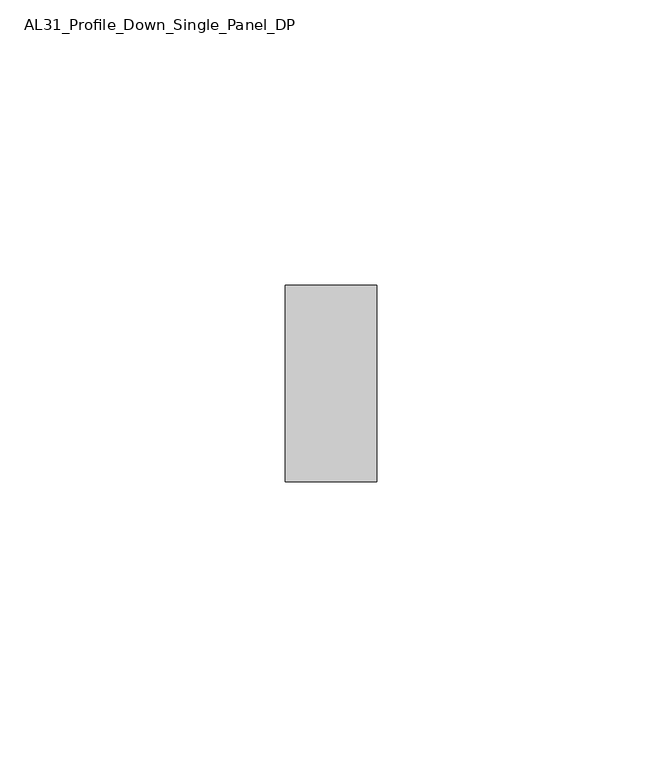
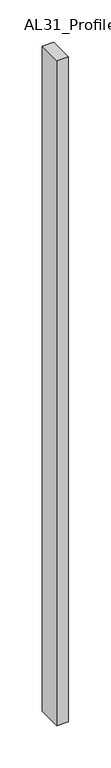
"""IFC4 building model written with IfcOpenShell, lengths in millimetres: member geometry, AL31_Profile_Down_Single_Panel_DP."""

from ifc_helpers import new_model, si_unit, frame, origin, place, context, project, spatial, polyline, outline, extrude, source, transform, mapped, element, save


def al31_profile_down_single_panel_dp_e4cee4b6(model_context):
    return source(origin(), model_context, "Body", "SweptSolid", [
        extrude(outline(polyline([(0.0, 37.107), (0.0, 2.607), (-16.0427074, 2.607), (-16.0427074, 37.107), (0.0, 37.107)])), frame((0.0, 0.0, -962.5), z_axis=(0.0, 0.0, 1.0), x_axis=(1.0, 0.0, 0.0)), (0.0, 0.0, 1.0), 962.5),
    ])


if __name__ == "__main__":
    model = new_model("IFC4")
    model_context = context("Model", 3, world=origin())
    ifc_project = project(units=[si_unit("LENGTHUNIT", "METRE", prefix="MILLI")], contexts=[model_context])
    site = spatial("IfcSite", under=ifc_project)
    building = spatial("IfcBuilding", under=site)
    placement = place(None, origin())
    al31_profile_down_single_panel_dp_shape = al31_profile_down_single_panel_dp_e4cee4b6(model_context)
    element("IfcMember", 1, ObjectType="AL31_Profile_Down_Single_Panel_DP", at=placement, inside=building, context=model_context, shape_type="MappedRepresentation", body=[
        mapped(al31_profile_down_single_panel_dp_shape, transform((0.0, 0.0, 0.0), x_axis=(1.0, 0.0, 0.0), y_axis=(0.0, 1.0, 0.0), z_axis=(0.0, 0.0, 1.0))),
    ])
    save(model, "model.ifc")
